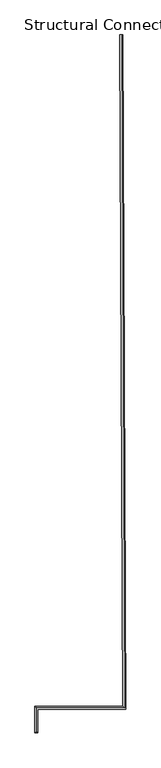
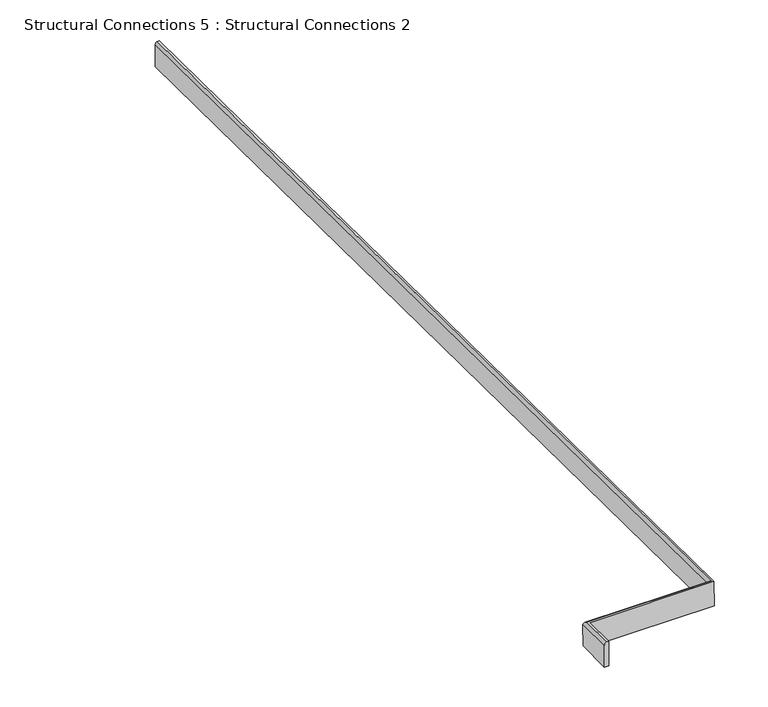
"""IFC4 building model written with IfcOpenShell, lengths in millimetres: fastener geometry, Structural Connections 5 : Structural Connections 2."""

from ifc_helpers import new_model, si_unit, frame, origin, place, context, project, spatial, circle_curve, ellipse_curve, source, transform, mapped, element, save
from ifc_brep_helpers import plane_surface, cylinder_surface, advanced_brep


def structural_connections_5_structural_connections_2_196149df(model_context):
    return source(origin(), model_context, "Body", "AdvancedBrep", [
        advanced_brep(
        [(-45500.2132368, 50925.5875133, 108407.4498765), (-45500.2105382, 50924.9848717, 108286.6883989), (-45520.0308773, 50924.8961188, 108286.6883989), (-45520.0332367, 50925.4230261, 108392.2737136), (-45508.6640653, 50925.5496716, 108407.4498765), (-46067.9221669, 46265.8613976, 108430.6908361), (-46076.3730801, 46265.8613971, 108430.6906473), (-46087.7423655, 46265.7856622, 108415.5142304), (-46087.7400061, 46265.2587549, 108309.9289157), (-46067.9194683, 46265.258756, 108309.9293586), (-45480.0447265, 46421.5475045, 108429.9270454), (-45480.0420279, 46420.944863, 108309.1655678), (-46067.9194597, 46420.9448302, 108309.1524312), (-46087.7399963, 46440.7651201, 108309.0530782), (-45499.9515171, 46440.7651528, 108309.0662128), (-45499.9538766, 46441.2920601, 108414.6515275), (-45488.5335661, 46429.998312, 108429.8846832), (-46076.373071, 46429.9982793, 108429.8715474), (-46067.9221582, 46421.5474718, 108429.9139087), (-46087.7423557, 46441.2920273, 108414.6383929)],
        [
            (0, 1),
            (1, 2),
            (2, 3),
            (3, 4, circle_curve(frame((-45505.6045411, 50925.492813, 108393.3111205), z_axis=(-0.0044777703830128, 0.9999775228172317, -0.004990333927699671), x_axis=(-0.9999899744862746, -0.004477826139980918, 0.0)), 14.4661101)),
            (4, 0),
            (5, 6),
            (6, 7, circle_curve(frame((-46073.3135252, 46265.79084, 108416.5519597), z_axis=(-5.5756409323398855e-08, -0.9999875484557915, 0.004990283897038386), x_axis=(-0.99999999975033, -5.575640893025457e-08, -2.2345847708688835e-05)), 14.4661101)),
            (7, 8),
            (8, 9),
            (9, 5),
            (0, 10),
            (10, 11),
            (11, 1),
            (11, 12),
            (12, 9),
            (8, 13),
            (13, 14),
            (14, 2),
            (14, 15),
            (15, 3),
            (15, 16, ellipse_curve(frame((-45485.4602818, 46426.8685541, 108415.7612624), z_axis=(0.7055218936626342, 0.7086793785647757, -0.003520789646371006), x_axis=(-0.7086881239751048, 0.7055130299744083, -0.0035365905864203663)), 20.5041276, 14.4661101)),
            (16, 4),
            (16, 17),
            (17, 6),
            (5, 18),
            (18, 10),
            (18, 12),
            (13, 19),
            (19, 15),
            (19, 17, ellipse_curve(frame((-46073.3135162, 46426.8685213, 108415.7481263), z_axis=(0.7071068204357394, 0.7070980160409363, -0.003512862683195698), x_axis=(0.7071067415842689, -0.7070979371894667, 0.00354446448408805)), 20.4581691, 14.4661101)),
            (7, 19),
        ],
        [
            plane_surface(frame((-45501.6888114, 50924.2051027, 108131.7624732), z_axis=(-0.004477770383012799, 0.9999775228172316, -0.004990333927699671), x_axis=(-2.2345847708688835e-05, 0.004990283897038384, 0.9999875482061215))),
            plane_surface(frame((-46069.3977563, 46264.485622, 108155.0033997), z_axis=(-5.5756409170722244e-08, -0.9999875484557916, 0.004990283897038384), x_axis=(-2.2345847708687968e-05, 0.004990283897038384, 0.9999875482061216))),
            plane_surface(frame((-45500.2132368, 50925.5875133, 108407.4498765), z_axis=(0.9999899744862747, 0.004477826139980617, 0.0), x_axis=(0.004477770383012497, -0.9999775228172317, 0.004990333927700051))),
            plane_surface(frame((-45500.2105382, 50924.9848717, 108286.6883989), z_axis=(2.2345847708689245e-05, -0.004990283897038794, -0.9999875482061216), x_axis=(0.0044777703830125234, -0.9999775228172317, 0.0049903339277000795))),
            plane_surface(frame((-45520.0308773, 50924.8961188, 108286.6883989), z_axis=(-0.9999899744862746, -0.004477826139980817, 0.0), x_axis=(0.004477770383012697, -0.9999775228172316, 0.004990333927700377))),
            cylinder_surface(frame((-45505.6045411, 50925.492813, 108393.3111205), z_axis=(-0.0044777703830128, 0.9999775228172317, -0.004990333927699671), x_axis=(-0.9999899744862746, -0.004477826139980918, 0.0)), 14.4661101),
            plane_surface(frame((-45508.6640653, 50925.5496716, 108407.4498765), z_axis=(-2.2345847708692688e-05, 0.004990283897039496, 0.9999875482061216), x_axis=(0.004477770383013065, -0.9999775228172317, 0.004990333927700782))),
            plane_surface(frame((-45480.0447265, 46421.5475045, 108429.9270454), z_axis=(-5.575640417074854e-08, -0.9999875484557916, 0.004990283897038385), x_axis=(-0.99999999975033, -5.5756414099761283e-08, -2.2345847712053786e-05))),
            plane_surface(frame((-45499.9515171, 46440.7651528, 108309.0662128), z_axis=(5.575641137119407e-08, 0.9999875484557916, -0.004990283897038385), x_axis=(-0.99999999975033, -5.575640697287551e-08, -2.2345847726812166e-05))),
            cylinder_surface(frame((-45481.5328102, 46426.8685543, 108415.7613501), z_axis=(0.99999999975033, 5.575640897414149e-08, 2.2345847708687863e-05), x_axis=(5.575640927950755e-08, 0.9999875484557914, -0.004990283897038382)), 14.4661101),
            plane_surface(frame((-46067.9221582, 46421.5474718, 108429.9139087), z_axis=(0.99999999975033, 5.5756433346751025e-08, 2.2345847708569702e-05), x_axis=(-5.5756384904703294e-08, -0.9999875484557919, 0.0049902838969529744))),
            plane_surface(frame((-46087.7399963, 46440.7651201, 108309.0530782), z_axis=(-0.99999999975033, -5.575642946314907e-08, -2.2345847708589085e-05), x_axis=(-5.5756388788720146e-08, -0.9999875484557919, 0.004990283896969377))),
            cylinder_surface(frame((-46073.3135165, 46422.9586457, 108415.7676379), z_axis=(5.5756409323398855e-08, 0.9999875484557915, -0.004990283897038386), x_axis=(-0.99999999975033, -5.575640893025457e-08, -2.2345847708688835e-05)), 14.4661101),
        ],
        [
            (0, [[1, 2, 3, 4, 5]]),
            (1, [[6, 7, 8, 9, 10]]),
            (2, [[-1, 11, 12, 13]]),
            (3, [[-2, -13, 14, 15, -9, 16, 17, 18]]),
            (4, [[-3, -18, 19, 20]]),
            (5, [[-4, -20, 21, 22]]),
            (6, [[-5, -22, 23, 24, -6, 25, 26, -11]]),
            (7, [[-12, -26, 27, -14]]),
            (8, [[-19, -17, 28, 29]]),
            (9, [[-21, -29, 30, -23]]),
            (10, [[-27, -25, -10, -15]]),
            (11, [[-28, -16, -8, 31]]),
            (12, [[-30, -31, -7, -24]]),
        ],
    ),
    ])


if __name__ == "__main__":
    model = new_model("IFC4")
    model_context = context("Model", 3, world=origin())
    ifc_project = project(units=[si_unit("LENGTHUNIT", "METRE", prefix="MILLI")], contexts=[model_context])
    site = spatial("IfcSite", under=ifc_project)
    building = spatial("IfcBuilding", under=site)
    placement = place(None, origin())
    structural_connections_5_structural_connections_2_shape = structural_connections_5_structural_connections_2_196149df(model_context)
    element("IfcFastener", 1, ObjectType="Structural Connections 5 : Structural Connections 2", at=placement, inside=building, context=model_context, shape_type="MappedRepresentation", body=[
        mapped(structural_connections_5_structural_connections_2_shape, transform((0.0, 0.0, 0.0), x_axis=(1.0, 0.0, 0.0), y_axis=(0.0, 1.0, 0.0), z_axis=(0.0, 0.0, 1.0))),
    ])
    save(model, "model.ifc")
